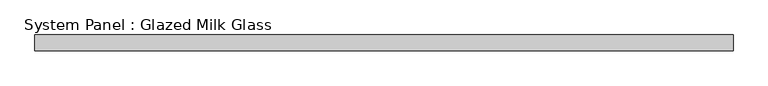
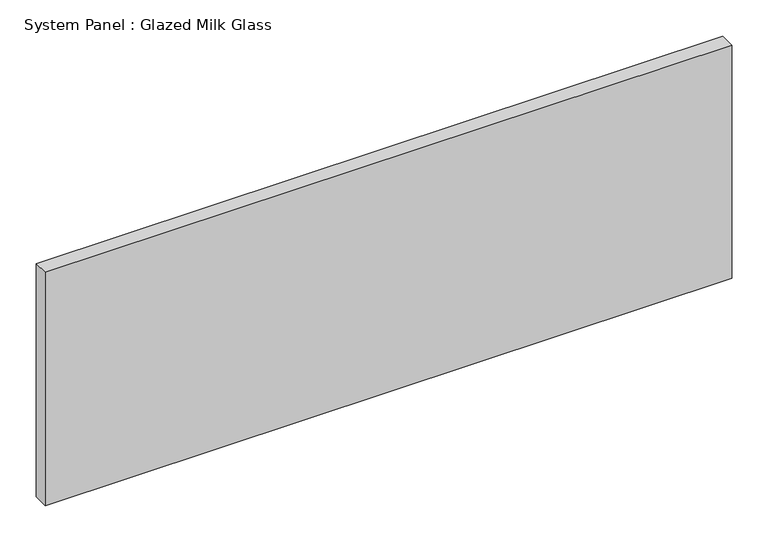
"""IFC4 building model written with IfcOpenShell, lengths in millimetres: plate geometry, System Panel : Glazed Milk Glass."""

from ifc_helpers import new_model, si_unit, origin, origin_with_axes, place, context, project, spatial, polyline, outline, extrude, source, transform, mapped, element, save


def system_panel_glazed_milk_glass_088d3cda(model_context):
    return source(origin(), model_context, "Body", "SweptSolid", [
        extrude(outline(polyline([(550.0, -12.5), (-550.0, -12.5), (-550.0, 12.5), (550.0, 12.5), (550.0, -12.5)])), origin_with_axes(), (0.0, 0.0, 1.0), 395.0),
    ])


if __name__ == "__main__":
    model = new_model("IFC4")
    model_context = context("Model", 3, world=origin())
    ifc_project = project(units=[si_unit("LENGTHUNIT", "METRE", prefix="MILLI")], contexts=[model_context])
    site = spatial("IfcSite", under=ifc_project)
    building = spatial("IfcBuilding", under=site)
    placement = place(None, origin())
    system_panel_glazed_milk_glass_shape = system_panel_glazed_milk_glass_088d3cda(model_context)
    element("IfcPlate", 1, ObjectType="System Panel : Glazed Milk Glass", at=placement, inside=building, context=model_context, shape_type="MappedRepresentation", body=[
        mapped(system_panel_glazed_milk_glass_shape, transform((0.0, 0.0, 0.0), x_axis=(1.0, 0.0, 0.0), y_axis=(0.0, 1.0, 0.0), z_axis=(0.0, 0.0, 1.0))),
    ])
    save(model, "model.ifc")
